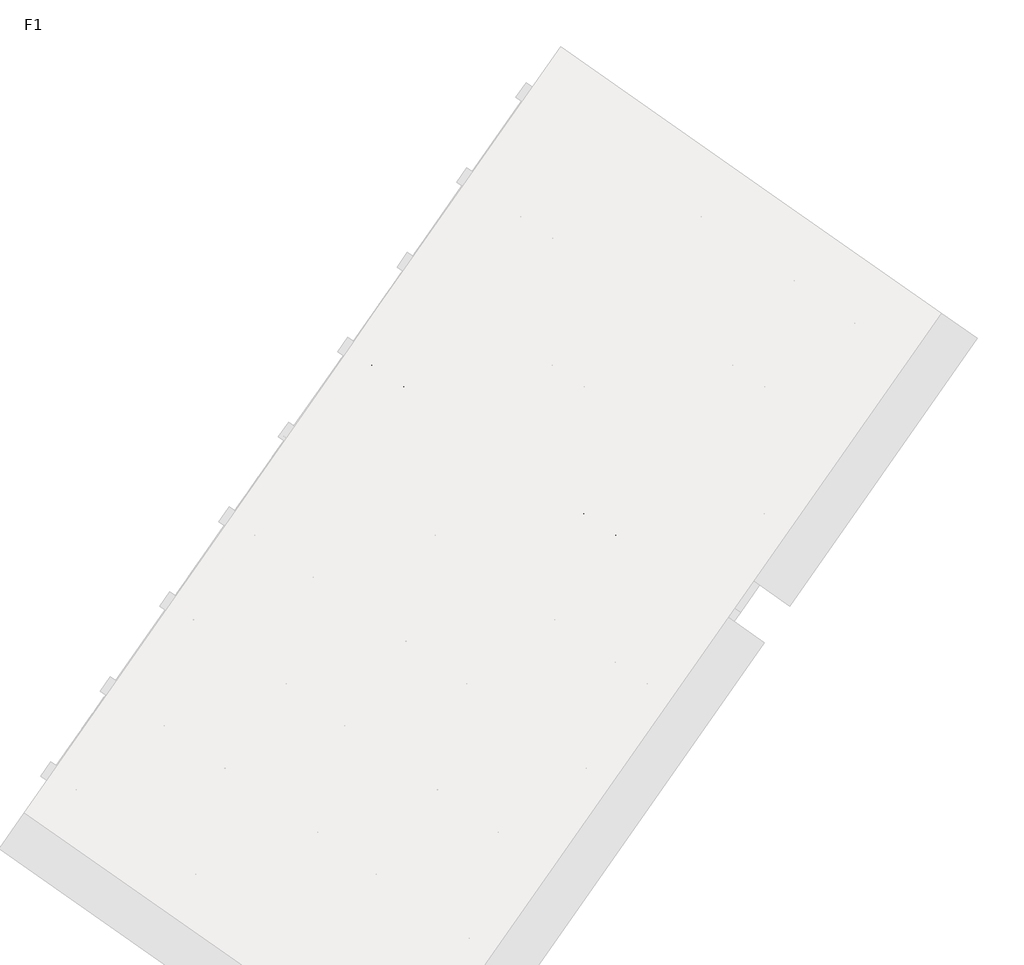
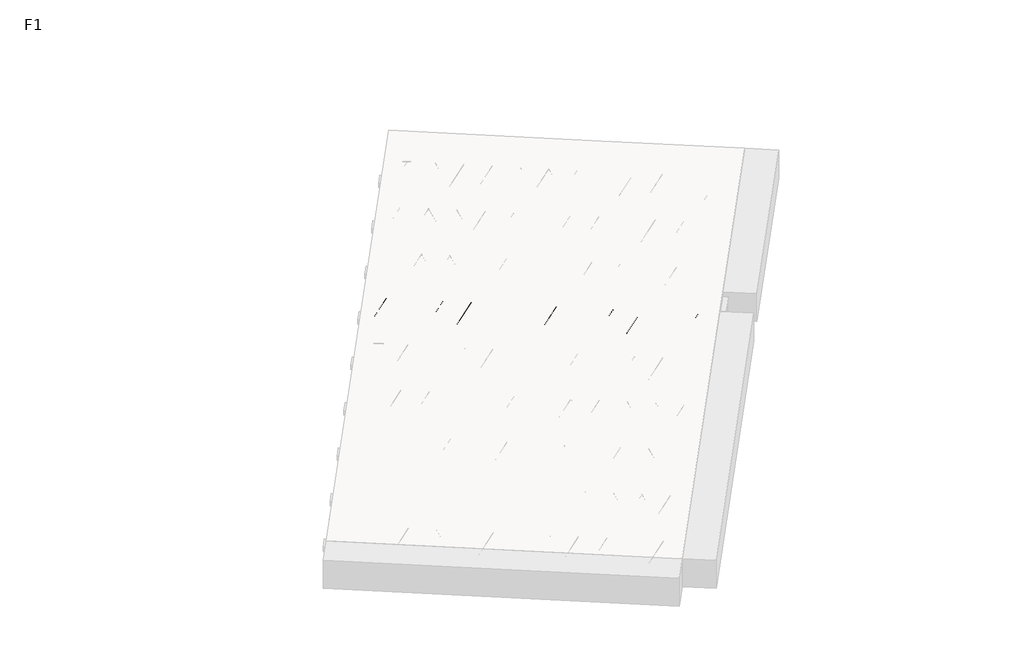
# One storey, part 11 of 30: 1 beam.
"""IFC4 building model written with IfcOpenShell, lengths in millimetres."""

from ifc_helpers import new_model, si_unit, point, frame, origin, origin_2d, place, context, project, spatial, circle_curve, trimmed, segment, composite_curve, outline, extrude, element, save

model = new_model("IFC4")

# Units and contexts
model_context = context("Model", 3, world=origin())
ifc_project = project(units=[si_unit("LENGTHUNIT", "METRE", prefix="MILLI")], contexts=[model_context])

# Site, building, storey
site = spatial("IfcSite", under=ifc_project)
building = spatial("IfcBuilding", under=site)
storey = spatial("IfcBuildingStorey", under=building, Name="F1", Elevation=99520.0)

# Beam
placement = place(None, origin())
element("IfcBeam", 1, at=placement, inside=storey, context=model_context, shape_type="SweptSolid", body=[
    extrude(outline(composite_curve([segment(trimmed(circle_curve(origin_2d(), 2.5), [point((-2.5, 0.0))], [point((2.5, 0.0))], False, "CARTESIAN"), True, "CONTINUOUS"), segment(trimmed(circle_curve(origin_2d(), 2.5), [point((2.5, 0.0))], [point((-2.5, 0.0))], False, "CARTESIAN"), True, "CONTINUOUS")], self_intersect=False)), frame((9076.6809743, -2797.8787837, 99745.0), z_axis=(-0.8191520442696126, 0.5735764363787226, 0.0), x_axis=(0.5735764363787226, 0.8191520442696126, 0.0)), (0.0, 0.0, 1.0), 3192.0),
    extrude(outline(composite_curve([segment(trimmed(circle_curve(origin_2d(), 2.5), [point((-2.5, 0.0))], [point((2.5, 0.0))], False, "CARTESIAN"), True, "CONTINUOUS"), segment(trimmed(circle_curve(origin_2d(), 2.5), [point((2.5, 0.0))], [point((-2.5, 0.0))], False, "CARTESIAN"), True, "CONTINUOUS")], self_intersect=False)), frame((8957.2547264, -2670.3077395, 99970.0), z_axis=(-0.8191520442696126, 0.5735764363787226, 0.0), x_axis=(0.5735764363787226, 0.8191520442696126, 0.0)), (0.0, 0.0, 1.0), 2850.0),
    extrude(outline(composite_curve([segment(trimmed(circle_curve(origin_2d(), 2.5), [point((-2.5, 0.0))], [point((2.5, 0.0))], False, "CARTESIAN"), True, "CONTINUOUS"), segment(trimmed(circle_curve(origin_2d(), 2.5), [point((2.5, 0.0))], [point((-2.5, 0.0))], False, "CARTESIAN"), True, "CONTINUOUS")], self_intersect=False)), frame((8998.042378, -2742.8154458, 99745.0), z_axis=(-0.3145304735701046, 0.38933448886848654, 0.8657304643902053), x_axis=(0.7778747638402499, 0.6284193279813057, 0.0)), (0.0, 0.0, 1.0), 259.8961331),
    extrude(outline(composite_curve([segment(trimmed(circle_curve(origin_2d(), 2.5), [point((2.5, 0.0))], [point((-2.5, 0.0))], False, "CARTESIAN"), True, "CONTINUOUS"), segment(trimmed(circle_curve(origin_2d(), 2.5), [point((-2.5, 0.0))], [point((2.5, 0.0))], False, "CARTESIAN"), True, "CONTINUOUS")], self_intersect=False)), frame((8793.254367, -2599.4213367, 99745.0), z_axis=(0.47343050384693375, -0.16240172737369005, 0.8657304643902051), x_axis=(-0.3244721671091268, -0.9458952440791246, 0.0)), (0.0, 0.0, 1.0), 259.8961331),
    extrude(outline(composite_curve([segment(trimmed(circle_curve(origin_2d(), 2.5), [point((-2.5, 0.0))], [point((2.5, 0.0))], False, "CARTESIAN"), True, "CONTINUOUS"), segment(trimmed(circle_curve(origin_2d(), 2.5), [point((2.5, 0.0))], [point((-2.5, 0.0))], False, "CARTESIAN"), True, "CONTINUOUS")], self_intersect=False)), frame((8793.254367, -2599.4213367, 99745.0), z_axis=(-0.3145304735701046, 0.38933448886848654, 0.8657304643902053), x_axis=(0.7778747638402499, 0.6284193279813057, 0.0)), (0.0, 0.0, 1.0), 259.8961331),
    extrude(outline(composite_curve([segment(trimmed(circle_curve(origin_2d(), 2.5), [point((2.5, 0.0))], [point((-2.5, 0.0))], False, "CARTESIAN"), True, "CONTINUOUS"), segment(trimmed(circle_curve(origin_2d(), 2.5), [point((-2.5, 0.0))], [point((2.5, 0.0))], False, "CARTESIAN"), True, "CONTINUOUS")], self_intersect=False)), frame((8588.4663559, -2456.0272276, 99745.0), z_axis=(0.47343050384693375, -0.16240172737369005, 0.8657304643902051), x_axis=(-0.3244721671091268, -0.9458952440791246, 0.0)), (0.0, 0.0, 1.0), 259.8961331),
    extrude(outline(composite_curve([segment(trimmed(circle_curve(origin_2d(), 2.5), [point((-2.5, 0.0))], [point((2.5, 0.0))], False, "CARTESIAN"), True, "CONTINUOUS"), segment(trimmed(circle_curve(origin_2d(), 2.5), [point((2.5, 0.0))], [point((-2.5, 0.0))], False, "CARTESIAN"), True, "CONTINUOUS")], self_intersect=False)), frame((8588.4663559, -2456.0272276, 99745.0), z_axis=(-0.3145304735701046, 0.38933448886848654, 0.8657304643902053), x_axis=(0.7778747638402499, 0.6284193279813057, 0.0)), (0.0, 0.0, 1.0), 259.8961331),
    extrude(outline(composite_curve([segment(trimmed(circle_curve(origin_2d(), 2.5), [point((2.5, 0.0))], [point((-2.5, 1e-07))], False, "CARTESIAN"), True, "CONTINUOUS"), segment(trimmed(circle_curve(origin_2d(), 2.5), [point((-2.5, 1e-07))], [point((2.5, 0.0))], False, "CARTESIAN"), True, "CONTINUOUS")], self_intersect=False)), frame((8383.6783448, -2312.6331185, 99745.0), z_axis=(0.47343050384693375, -0.16240172737369005, 0.8657304643902051), x_axis=(-0.3244721671091268, -0.9458952440791246, 0.0)), (0.0, 0.0, 1.0), 259.8961331),
    extrude(outline(composite_curve([segment(trimmed(circle_curve(origin_2d(), 2.5), [point((-2.5, 0.0))], [point((2.5, 0.0))], False, "CARTESIAN"), True, "CONTINUOUS"), segment(trimmed(circle_curve(origin_2d(), 2.5), [point((2.5, 0.0))], [point((-2.5, 0.0))], False, "CARTESIAN"), True, "CONTINUOUS")], self_intersect=False)), frame((8383.6783448, -2312.6331185, 99745.0), z_axis=(-0.3145304735701046, 0.38933448886848654, 0.8657304643902053), x_axis=(0.7778747638402499, 0.6284193279813057, 0.0)), (0.0, 0.0, 1.0), 259.8961331),
    extrude(outline(composite_curve([segment(trimmed(circle_curve(origin_2d(), 2.5), [point((2.5, 0.0))], [point((-2.5, 0.0))], False, "CARTESIAN"), True, "CONTINUOUS"), segment(trimmed(circle_curve(origin_2d(), 2.5), [point((-2.5, 0.0))], [point((2.5, 0.0))], False, "CARTESIAN"), True, "CONTINUOUS")], self_intersect=False)), frame((8178.8903338, -2169.2390094, 99745.0), z_axis=(0.47343050384693375, -0.16240172737369005, 0.8657304643902051), x_axis=(-0.3244721671091268, -0.9458952440791246, 0.0)), (0.0, 0.0, 1.0), 259.8961331),
    extrude(outline(composite_curve([segment(trimmed(circle_curve(origin_2d(), 2.5), [point((-2.5, 0.0))], [point((2.5, 0.0))], False, "CARTESIAN"), True, "CONTINUOUS"), segment(trimmed(circle_curve(origin_2d(), 2.5), [point((2.5, 0.0))], [point((-2.5, 0.0))], False, "CARTESIAN"), True, "CONTINUOUS")], self_intersect=False)), frame((8178.8903338, -2169.2390094, 99745.0), z_axis=(-0.3145304735701046, 0.38933448886848654, 0.8657304643902053), x_axis=(0.7778747638402499, 0.6284193279813057, 0.0)), (0.0, 0.0, 1.0), 259.8961331),
    extrude(outline(composite_curve([segment(trimmed(circle_curve(origin_2d(), 2.5), [point((2.5, 0.0))], [point((-2.5, 0.0))], False, "CARTESIAN"), True, "CONTINUOUS"), segment(trimmed(circle_curve(origin_2d(), 2.5), [point((-2.5, 0.0))], [point((2.5, 0.0))], False, "CARTESIAN"), True, "CONTINUOUS")], self_intersect=False)), frame((7974.1023227, -2025.8449003, 99745.0), z_axis=(0.47343050384693375, -0.16240172737369005, 0.8657304643902051), x_axis=(-0.3244721671091268, -0.9458952440791246, 0.0)), (0.0, 0.0, 1.0), 259.8961331),
    extrude(outline(composite_curve([segment(trimmed(circle_curve(origin_2d(), 2.5), [point((-2.5, 0.0))], [point((2.5, 0.0))], False, "CARTESIAN"), True, "CONTINUOUS"), segment(trimmed(circle_curve(origin_2d(), 2.5), [point((2.5, 0.0))], [point((-2.5, 0.0))], False, "CARTESIAN"), True, "CONTINUOUS")], self_intersect=False)), frame((7974.1023227, -2025.8449003, 99745.0), z_axis=(-0.3145304735701046, 0.38933448886848654, 0.8657304643902053), x_axis=(0.7778747638402499, 0.6284193279813057, 0.0)), (0.0, 0.0, 1.0), 259.8961331),
    extrude(outline(composite_curve([segment(trimmed(circle_curve(origin_2d(), 2.5), [point((2.5, 0.0))], [point((-2.5, 1e-07))], False, "CARTESIAN"), True, "CONTINUOUS"), segment(trimmed(circle_curve(origin_2d(), 2.5), [point((-2.5, 1e-07))], [point((2.5, 0.0))], False, "CARTESIAN"), True, "CONTINUOUS")], self_intersect=False)), frame((7769.3143116, -1882.4507912, 99745.0), z_axis=(0.47343050384693375, -0.16240172737369005, 0.8657304643902051), x_axis=(-0.3244721671091268, -0.9458952440791246, 0.0)), (0.0, 0.0, 1.0), 259.8961331),
    extrude(outline(composite_curve([segment(trimmed(circle_curve(origin_2d(), 2.5), [point((-2.5, 0.0))], [point((2.5, 0.0))], False, "CARTESIAN"), True, "CONTINUOUS"), segment(trimmed(circle_curve(origin_2d(), 2.5), [point((2.5, 0.0))], [point((-2.5, 0.0))], False, "CARTESIAN"), True, "CONTINUOUS")], self_intersect=False)), frame((7769.3143116, -1882.4507912, 99745.0), z_axis=(-0.3145304735701046, 0.38933448886848654, 0.8657304643902053), x_axis=(0.7778747638402499, 0.6284193279813057, 0.0)), (0.0, 0.0, 1.0), 259.8961331),
    extrude(outline(composite_curve([segment(trimmed(circle_curve(origin_2d(), 2.5), [point((2.5, -1e-07))], [point((-2.5, 0.0))], False, "CARTESIAN"), True, "CONTINUOUS"), segment(trimmed(circle_curve(origin_2d(), 2.5), [point((-2.5, 0.0))], [point((2.5, -1e-07))], False, "CARTESIAN"), True, "CONTINUOUS")], self_intersect=False)), frame((7564.5263006, -1739.0566821, 99745.0), z_axis=(0.47343050384693375, -0.16240172737369005, 0.8657304643902051), x_axis=(-0.3244721671091268, -0.9458952440791246, 0.0)), (0.0, 0.0, 1.0), 259.8961331),
    extrude(outline(composite_curve([segment(trimmed(circle_curve(origin_2d(), 2.5), [point((-2.5, -1e-07))], [point((2.5, 0.0))], False, "CARTESIAN"), True, "CONTINUOUS"), segment(trimmed(circle_curve(origin_2d(), 2.5), [point((2.5, 0.0))], [point((-2.5, -1e-07))], False, "CARTESIAN"), True, "CONTINUOUS")], self_intersect=False)), frame((7564.5263006, -1739.0566821, 99745.0), z_axis=(-0.3145304735701046, 0.38933448886848654, 0.8657304643902053), x_axis=(0.7778747638402499, 0.6284193279813057, 0.0)), (0.0, 0.0, 1.0), 259.8961331),
    extrude(outline(composite_curve([segment(trimmed(circle_curve(origin_2d(), 2.5), [point((2.5, 0.0))], [point((-2.5, 0.0))], False, "CARTESIAN"), True, "CONTINUOUS"), segment(trimmed(circle_curve(origin_2d(), 2.5), [point((-2.5, 0.0))], [point((2.5, 0.0))], False, "CARTESIAN"), True, "CONTINUOUS")], self_intersect=False)), frame((7359.7382895, -1595.662573, 99745.0), z_axis=(0.47343050384693375, -0.16240172737369005, 0.8657304643902051), x_axis=(-0.3244721671091268, -0.9458952440791246, 0.0)), (0.0, 0.0, 1.0), 259.8961331),
    extrude(outline(composite_curve([segment(trimmed(circle_curve(origin_2d(), 2.5), [point((-2.5, -1e-07))], [point((2.5, 0.0))], False, "CARTESIAN"), True, "CONTINUOUS"), segment(trimmed(circle_curve(origin_2d(), 2.5), [point((2.5, 0.0))], [point((-2.5, -1e-07))], False, "CARTESIAN"), True, "CONTINUOUS")], self_intersect=False)), frame((7359.7382895, -1595.662573, 99745.0), z_axis=(-0.3145304735701046, 0.38933448886848654, 0.8657304643902053), x_axis=(0.7778747638402499, 0.6284193279813057, 0.0)), (0.0, 0.0, 1.0), 259.8961331),
    extrude(outline(composite_curve([segment(trimmed(circle_curve(origin_2d(), 2.5), [point((2.5000001, 0.0))], [point((-2.5, 0.0))], False, "CARTESIAN"), True, "CONTINUOUS"), segment(trimmed(circle_curve(origin_2d(), 2.5), [point((-2.5, 0.0))], [point((2.5000001, 0.0))], False, "CARTESIAN"), True, "CONTINUOUS")], self_intersect=False)), frame((7154.9502784, -1452.2684639, 99745.0), z_axis=(0.47343050384693375, -0.16240172737369005, 0.8657304643902051), x_axis=(-0.3244721671091268, -0.9458952440791246, 0.0)), (0.0, 0.0, 1.0), 259.8961331),
    extrude(outline(composite_curve([segment(trimmed(circle_curve(origin_2d(), 2.5), [point((-2.5, -1e-07))], [point((2.5, 0.0))], False, "CARTESIAN"), True, "CONTINUOUS"), segment(trimmed(circle_curve(origin_2d(), 2.5), [point((2.5, 0.0))], [point((-2.5, -1e-07))], False, "CARTESIAN"), True, "CONTINUOUS")], self_intersect=False)), frame((7154.9502784, -1452.2684639, 99745.0), z_axis=(-0.3145304735701046, 0.38933448886848654, 0.8657304643902053), x_axis=(0.7778747638402499, 0.6284193279813057, 0.0)), (0.0, 0.0, 1.0), 259.8961331),
    extrude(outline(composite_curve([segment(trimmed(circle_curve(origin_2d(), 2.5), [point((2.5000001, 0.0))], [point((-2.5, 0.0))], False, "CARTESIAN"), True, "CONTINUOUS"), segment(trimmed(circle_curve(origin_2d(), 2.5), [point((-2.5, 0.0))], [point((2.5000001, 0.0))], False, "CARTESIAN"), True, "CONTINUOUS")], self_intersect=False)), frame((6950.1622674, -1308.8743548, 99745.0), z_axis=(0.47343050384693375, -0.16240172737369005, 0.8657304643902051), x_axis=(-0.3244721671091268, -0.9458952440791246, 0.0)), (0.0, 0.0, 1.0), 259.8961331),
    extrude(outline(composite_curve([segment(trimmed(circle_curve(origin_2d(), 2.5), [point((-2.5, -1e-07))], [point((2.5, 0.0))], False, "CARTESIAN"), True, "CONTINUOUS"), segment(trimmed(circle_curve(origin_2d(), 2.5), [point((2.5, 0.0))], [point((-2.5, -1e-07))], False, "CARTESIAN"), True, "CONTINUOUS")], self_intersect=False)), frame((6950.1622674, -1308.8743548, 99745.0), z_axis=(-0.3145304735701046, 0.38933448886848654, 0.8657304643902053), x_axis=(0.7778747638402499, 0.6284193279813057, 0.0)), (0.0, 0.0, 1.0), 259.8961331),
    extrude(outline(composite_curve([segment(trimmed(circle_curve(origin_2d(), 2.5), [point((2.5, 0.0))], [point((-2.5000001, 0.0))], False, "CARTESIAN"), True, "CONTINUOUS"), segment(trimmed(circle_curve(origin_2d(), 2.5), [point((-2.5000001, 0.0))], [point((2.5, 0.0))], False, "CARTESIAN"), True, "CONTINUOUS")], self_intersect=False)), frame((6745.3742563, -1165.4802458, 99745.0), z_axis=(0.47343050384693375, -0.16240172737369005, 0.8657304643902051), x_axis=(-0.3244721671091268, -0.9458952440791246, 0.0)), (0.0, 0.0, 1.0), 259.8961331),
    extrude(outline(composite_curve([segment(trimmed(circle_curve(origin_2d(), 2.5), [point((-2.5, 0.0))], [point((2.5, 1e-07))], False, "CARTESIAN"), True, "CONTINUOUS"), segment(trimmed(circle_curve(origin_2d(), 2.5), [point((2.5, 1e-07))], [point((-2.5, 0.0))], False, "CARTESIAN"), True, "CONTINUOUS")], self_intersect=False)), frame((6745.3742563, -1165.4802458, 99745.0), z_axis=(-0.3145304735701046, 0.38933448886848654, 0.8657304643902053), x_axis=(0.7778747638402499, 0.6284193279813057, 0.0)), (0.0, 0.0, 1.0), 259.8961331),
    extrude(outline(composite_curve([segment(trimmed(circle_curve(origin_2d(), 2.5), [point((2.5, 0.0))], [point((-2.5000001, 0.0))], False, "CARTESIAN"), True, "CONTINUOUS"), segment(trimmed(circle_curve(origin_2d(), 2.5), [point((-2.5000001, 0.0))], [point((2.5, 0.0))], False, "CARTESIAN"), True, "CONTINUOUS")], self_intersect=False)), frame((6540.5862452, -1022.0861367, 99745.0), z_axis=(0.47343050384693375, -0.16240172737369005, 0.8657304643902051), x_axis=(-0.3244721671091268, -0.9458952440791246, 0.0)), (0.0, 0.0, 1.0), 259.8961331),
    extrude(outline(composite_curve([segment(trimmed(circle_curve(origin_2d(), 2.5), [point((-2.5, 0.0))], [point((2.5, 0.0))], False, "CARTESIAN"), True, "CONTINUOUS"), segment(trimmed(circle_curve(origin_2d(), 2.5), [point((2.5, 0.0))], [point((-2.5, 0.0))], False, "CARTESIAN"), True, "CONTINUOUS")], self_intersect=False)), frame((9117.9784777, -2738.8998365, 99745.0), z_axis=(-0.8191520442696126, 0.5735764363787226, 0.0), x_axis=(0.5735764363787226, 0.8191520442696126, 0.0)), (0.0, 0.0, 1.0), 3192.0),
    extrude(outline(composite_curve([segment(trimmed(circle_curve(origin_2d(), 2.5), [point((-2.5, 1e-07))], [point((2.5, 0.0))], False, "CARTESIAN"), True, "CONTINUOUS"), segment(trimmed(circle_curve(origin_2d(), 2.5), [point((2.5, 0.0))], [point((-2.5, 1e-07))], False, "CARTESIAN"), True, "CONTINUOUS")], self_intersect=False)), frame((9039.3398815, -2683.8364986, 99745.0), z_axis=(-0.47343050384693375, 0.16240172737369005, 0.8657304643902051), x_axis=(0.3244721671091268, 0.9458952440791246, 0.0)), (0.0, 0.0, 1.0), 259.8961331),
    extrude(outline(composite_curve([segment(trimmed(circle_curve(origin_2d(), 2.5), [point((2.5, 0.0))], [point((-2.5, 0.0))], False, "CARTESIAN"), True, "CONTINUOUS"), segment(trimmed(circle_curve(origin_2d(), 2.5), [point((-2.5, 0.0))], [point((2.5, 0.0))], False, "CARTESIAN"), True, "CONTINUOUS")], self_intersect=False)), frame((8834.5518704, -2540.4423895, 99745.0), z_axis=(0.3145304735701046, -0.38933448886848654, 0.8657304643902053), x_axis=(-0.7778747638402499, -0.6284193279813057, 0.0)), (0.0, 0.0, 1.0), 259.8961331),
    extrude(outline(composite_curve([segment(trimmed(circle_curve(origin_2d(), 2.5), [point((-2.5, 0.0))], [point((2.5, 0.0))], False, "CARTESIAN"), True, "CONTINUOUS"), segment(trimmed(circle_curve(origin_2d(), 2.5), [point((2.5, 0.0))], [point((-2.5, 0.0))], False, "CARTESIAN"), True, "CONTINUOUS")], self_intersect=False)), frame((8834.5518704, -2540.4423895, 99745.0), z_axis=(-0.47343050384693375, 0.16240172737369005, 0.8657304643902051), x_axis=(0.3244721671091268, 0.9458952440791246, 0.0)), (0.0, 0.0, 1.0), 259.8961331),
    extrude(outline(composite_curve([segment(trimmed(circle_curve(origin_2d(), 2.5), [point((2.5, 0.0))], [point((-2.5, 0.0))], False, "CARTESIAN"), True, "CONTINUOUS"), segment(trimmed(circle_curve(origin_2d(), 2.5), [point((-2.5, 0.0))], [point((2.5, 0.0))], False, "CARTESIAN"), True, "CONTINUOUS")], self_intersect=False)), frame((8629.7638593, -2397.0482804, 99745.0), z_axis=(0.3145304735701046, -0.38933448886848654, 0.8657304643902053), x_axis=(-0.7778747638402499, -0.6284193279813057, 0.0)), (0.0, 0.0, 1.0), 259.8961331),
    extrude(outline(composite_curve([segment(trimmed(circle_curve(origin_2d(), 2.5), [point((-2.5, 0.0))], [point((2.5, 0.0))], False, "CARTESIAN"), True, "CONTINUOUS"), segment(trimmed(circle_curve(origin_2d(), 2.5), [point((2.5, 0.0))], [point((-2.5, 0.0))], False, "CARTESIAN"), True, "CONTINUOUS")], self_intersect=False)), frame((8629.7638593, -2397.0482804, 99745.0), z_axis=(-0.47343050384693375, 0.16240172737369005, 0.8657304643902051), x_axis=(0.3244721671091268, 0.9458952440791246, 0.0)), (0.0, 0.0, 1.0), 259.8961331),
    extrude(outline(composite_curve([segment(trimmed(circle_curve(origin_2d(), 2.5), [point((2.5000001, -1e-07))], [point((-2.5, 0.0))], False, "CARTESIAN"), True, "CONTINUOUS"), segment(trimmed(circle_curve(origin_2d(), 2.5), [point((-2.5, 0.0))], [point((2.5000001, -1e-07))], False, "CARTESIAN"), True, "CONTINUOUS")], self_intersect=False)), frame((8424.9758483, -2253.6541713, 99745.0), z_axis=(0.3145304735701046, -0.38933448886848654, 0.8657304643902053), x_axis=(-0.7778747638402499, -0.6284193279813057, 0.0)), (0.0, 0.0, 1.0), 259.8961331),
    extrude(outline(composite_curve([segment(trimmed(circle_curve(origin_2d(), 2.5), [point((-2.5, 1e-07))], [point((2.5, 0.0))], False, "CARTESIAN"), True, "CONTINUOUS"), segment(trimmed(circle_curve(origin_2d(), 2.5), [point((2.5, 0.0))], [point((-2.5, 1e-07))], False, "CARTESIAN"), True, "CONTINUOUS")], self_intersect=False)), frame((8424.9758483, -2253.6541713, 99745.0), z_axis=(-0.47343050384693375, 0.16240172737369005, 0.8657304643902051), x_axis=(0.3244721671091268, 0.9458952440791246, 0.0)), (0.0, 0.0, 1.0), 259.8961331),
    extrude(outline(composite_curve([segment(trimmed(circle_curve(origin_2d(), 2.5), [point((2.5, 0.0))], [point((-2.5, 0.0))], False, "CARTESIAN"), True, "CONTINUOUS"), segment(trimmed(circle_curve(origin_2d(), 2.5), [point((-2.5, 0.0))], [point((2.5, 0.0))], False, "CARTESIAN"), True, "CONTINUOUS")], self_intersect=False)), frame((8220.1878372, -2110.2600622, 99745.0), z_axis=(0.3145304735701046, -0.38933448886848654, 0.8657304643902053), x_axis=(-0.7778747638402499, -0.6284193279813057, 0.0)), (0.0, 0.0, 1.0), 259.8961331),
    extrude(outline(composite_curve([segment(trimmed(circle_curve(origin_2d(), 2.5), [point((-2.5, 0.0))], [point((2.5, 0.0))], False, "CARTESIAN"), True, "CONTINUOUS"), segment(trimmed(circle_curve(origin_2d(), 2.5), [point((2.5, 0.0))], [point((-2.5, 0.0))], False, "CARTESIAN"), True, "CONTINUOUS")], self_intersect=False)), frame((8220.1878372, -2110.2600622, 99745.0), z_axis=(-0.47343050384693375, 0.16240172737369005, 0.8657304643902051), x_axis=(0.3244721671091268, 0.9458952440791246, 0.0)), (0.0, 0.0, 1.0), 259.8961331),
    extrude(outline(composite_curve([segment(trimmed(circle_curve(origin_2d(), 2.5), [point((2.5, 1e-07))], [point((-2.5, 0.0))], False, "CARTESIAN"), True, "CONTINUOUS"), segment(trimmed(circle_curve(origin_2d(), 2.5), [point((-2.5, 0.0))], [point((2.5, 1e-07))], False, "CARTESIAN"), True, "CONTINUOUS")], self_intersect=False)), frame((8015.3998261, -1966.8659531, 99745.0), z_axis=(0.3145304735701046, -0.38933448886848654, 0.8657304643902053), x_axis=(-0.7778747638402499, -0.6284193279813057, 0.0)), (0.0, 0.0, 1.0), 259.8961331),
    extrude(outline(composite_curve([segment(trimmed(circle_curve(origin_2d(), 2.5), [point((-2.5, 0.0))], [point((2.5, 0.0))], False, "CARTESIAN"), True, "CONTINUOUS"), segment(trimmed(circle_curve(origin_2d(), 2.5), [point((2.5, 0.0))], [point((-2.5, 0.0))], False, "CARTESIAN"), True, "CONTINUOUS")], self_intersect=False)), frame((8015.3998261, -1966.8659531, 99745.0), z_axis=(-0.47343050384693375, 0.16240172737369005, 0.8657304643902051), x_axis=(0.3244721671091268, 0.9458952440791246, 0.0)), (0.0, 0.0, 1.0), 259.8961331),
    extrude(outline(composite_curve([segment(trimmed(circle_curve(origin_2d(), 2.5), [point((2.5000001, 0.0))], [point((-2.5, 0.0))], False, "CARTESIAN"), True, "CONTINUOUS"), segment(trimmed(circle_curve(origin_2d(), 2.5), [point((-2.5, 0.0))], [point((2.5000001, 0.0))], False, "CARTESIAN"), True, "CONTINUOUS")], self_intersect=False)), frame((7810.6118151, -1823.471844, 99745.0), z_axis=(0.3145304735701046, -0.38933448886848654, 0.8657304643902053), x_axis=(-0.7778747638402499, -0.6284193279813057, 0.0)), (0.0, 0.0, 1.0), 259.8961331),
    extrude(outline(composite_curve([segment(trimmed(circle_curve(origin_2d(), 2.5), [point((-2.5, 1e-07))], [point((2.5, 0.0))], False, "CARTESIAN"), True, "CONTINUOUS"), segment(trimmed(circle_curve(origin_2d(), 2.5), [point((2.5, 0.0))], [point((-2.5, 1e-07))], False, "CARTESIAN"), True, "CONTINUOUS")], self_intersect=False)), frame((7810.6118151, -1823.471844, 99745.0), z_axis=(-0.47343050384693375, 0.16240172737369005, 0.8657304643902051), x_axis=(0.3244721671091268, 0.9458952440791246, 0.0)), (0.0, 0.0, 1.0), 259.8961331),
    extrude(outline(composite_curve([segment(trimmed(circle_curve(origin_2d(), 2.5), [point((2.5, 1e-07))], [point((-2.5, 0.0))], False, "CARTESIAN"), True, "CONTINUOUS"), segment(trimmed(circle_curve(origin_2d(), 2.5), [point((-2.5, 0.0))], [point((2.5, 1e-07))], False, "CARTESIAN"), True, "CONTINUOUS")], self_intersect=False)), frame((7605.823804, -1680.0777349, 99745.0), z_axis=(0.3145304735701046, -0.38933448886848654, 0.8657304643902053), x_axis=(-0.7778747638402499, -0.6284193279813057, 0.0)), (0.0, 0.0, 1.0), 259.8961331),
    extrude(outline(composite_curve([segment(trimmed(circle_curve(origin_2d(), 2.5), [point((-2.5000001, 0.0))], [point((2.5, 0.0))], False, "CARTESIAN"), True, "CONTINUOUS"), segment(trimmed(circle_curve(origin_2d(), 2.5), [point((2.5, 0.0))], [point((-2.5000001, 0.0))], False, "CARTESIAN"), True, "CONTINUOUS")], self_intersect=False)), frame((7605.823804, -1680.0777349, 99745.0), z_axis=(-0.47343050384693375, 0.16240172737369005, 0.8657304643902051), x_axis=(0.3244721671091268, 0.9458952440791246, 0.0)), (0.0, 0.0, 1.0), 259.8961331),
    extrude(outline(composite_curve([segment(trimmed(circle_curve(origin_2d(), 2.5), [point((2.5, 0.0))], [point((-2.5, -1e-07))], False, "CARTESIAN"), True, "CONTINUOUS"), segment(trimmed(circle_curve(origin_2d(), 2.5), [point((-2.5, -1e-07))], [point((2.5, 0.0))], False, "CARTESIAN"), True, "CONTINUOUS")], self_intersect=False)), frame((7401.0357929, -1536.6836259, 99745.0), z_axis=(0.3145304735701046, -0.38933448886848654, 0.8657304643902053), x_axis=(-0.7778747638402499, -0.6284193279813057, 0.0)), (0.0, 0.0, 1.0), 259.8961331),
    extrude(outline(composite_curve([segment(trimmed(circle_curve(origin_2d(), 2.5), [point((-2.5000001, 0.0))], [point((2.5, 0.0))], False, "CARTESIAN"), True, "CONTINUOUS"), segment(trimmed(circle_curve(origin_2d(), 2.5), [point((2.5, 0.0))], [point((-2.5000001, 0.0))], False, "CARTESIAN"), True, "CONTINUOUS")], self_intersect=False)), frame((7401.0357929, -1536.6836258, 99745.0), z_axis=(-0.47343050384693375, 0.16240172737369005, 0.8657304643902051), x_axis=(0.3244721671091268, 0.9458952440791246, 0.0)), (0.0, 0.0, 1.0), 259.8961331),
    extrude(outline(composite_curve([segment(trimmed(circle_curve(origin_2d(), 2.5), [point((2.5000001, -1e-07))], [point((-2.5, -1e-07))], False, "CARTESIAN"), True, "CONTINUOUS"), segment(trimmed(circle_curve(origin_2d(), 2.5), [point((-2.5, -1e-07))], [point((2.5000001, -1e-07))], False, "CARTESIAN"), True, "CONTINUOUS")], self_intersect=False)), frame((7196.2477819, -1393.2895168, 99745.0), z_axis=(0.3145304735701046, -0.38933448886848654, 0.8657304643902053), x_axis=(-0.7778747638402499, -0.6284193279813057, 0.0)), (0.0, 0.0, 1.0), 259.8961331),
    extrude(outline(composite_curve([segment(trimmed(circle_curve(origin_2d(), 2.5), [point((-2.5, 0.0))], [point((2.5000001, 0.0))], False, "CARTESIAN"), True, "CONTINUOUS"), segment(trimmed(circle_curve(origin_2d(), 2.5), [point((2.5000001, 0.0))], [point((-2.5, 0.0))], False, "CARTESIAN"), True, "CONTINUOUS")], self_intersect=False)), frame((7196.2477818, -1393.2895168, 99745.0), z_axis=(-0.47343050384693375, 0.16240172737369005, 0.8657304643902051), x_axis=(0.3244721671091268, 0.9458952440791246, 0.0)), (0.0, 0.0, 1.0), 259.8961331),
    extrude(outline(composite_curve([segment(trimmed(circle_curve(origin_2d(), 2.5), [point((2.5, 0.0))], [point((-2.5, -1e-07))], False, "CARTESIAN"), True, "CONTINUOUS"), segment(trimmed(circle_curve(origin_2d(), 2.5), [point((-2.5, -1e-07))], [point((2.5, 0.0))], False, "CARTESIAN"), True, "CONTINUOUS")], self_intersect=False)), frame((6991.4597708, -1249.8954077, 99745.0), z_axis=(0.3145304735701046, -0.38933448886848654, 0.8657304643902053), x_axis=(-0.7778747638402499, -0.6284193279813057, 0.0)), (0.0, 0.0, 1.0), 259.8961331),
    extrude(outline(composite_curve([segment(trimmed(circle_curve(origin_2d(), 2.5), [point((-2.5, 0.0))], [point((2.5000001, 0.0))], False, "CARTESIAN"), True, "CONTINUOUS"), segment(trimmed(circle_curve(origin_2d(), 2.5), [point((2.5000001, 0.0))], [point((-2.5, 0.0))], False, "CARTESIAN"), True, "CONTINUOUS")], self_intersect=False)), frame((6991.4597708, -1249.8954077, 99745.0), z_axis=(-0.47343050384693375, 0.16240172737369005, 0.8657304643902051), x_axis=(0.3244721671091268, 0.9458952440791246, 0.0)), (0.0, 0.0, 1.0), 259.8961331),
    extrude(outline(composite_curve([segment(trimmed(circle_curve(origin_2d(), 2.5), [point((2.5, 0.0))], [point((-2.5, -1e-07))], False, "CARTESIAN"), True, "CONTINUOUS"), segment(trimmed(circle_curve(origin_2d(), 2.5), [point((-2.5, -1e-07))], [point((2.5, 0.0))], False, "CARTESIAN"), True, "CONTINUOUS")], self_intersect=False)), frame((6786.6717597, -1106.5012986, 99745.0), z_axis=(0.3145304735701046, -0.38933448886848654, 0.8657304643902053), x_axis=(-0.7778747638402499, -0.6284193279813057, 0.0)), (0.0, 0.0, 1.0), 259.8961331),
    extrude(outline(composite_curve([segment(trimmed(circle_curve(origin_2d(), 2.5), [point((-2.5, 0.0))], [point((2.5, 0.0))], False, "CARTESIAN"), True, "CONTINUOUS"), segment(trimmed(circle_curve(origin_2d(), 2.5), [point((2.5, 0.0))], [point((-2.5, 0.0))], False, "CARTESIAN"), True, "CONTINUOUS")], self_intersect=False)), frame((6786.6717597, -1106.5012986, 99745.0), z_axis=(-0.47343050384693375, 0.16240172737369005, 0.8657304643902051), x_axis=(0.3244721671091268, 0.9458952440791246, 0.0)), (0.0, 0.0, 1.0), 259.8961331),
    extrude(outline(composite_curve([segment(trimmed(circle_curve(origin_2d(), 2.5), [point((2.5, 0.0))], [point((-2.5000001, 1e-07))], False, "CARTESIAN"), True, "CONTINUOUS"), segment(trimmed(circle_curve(origin_2d(), 2.5), [point((-2.5000001, 1e-07))], [point((2.5, 0.0))], False, "CARTESIAN"), True, "CONTINUOUS")], self_intersect=False)), frame((6581.8837486, -963.1071895, 99745.0), z_axis=(0.3145304735701046, -0.38933448886848654, 0.8657304643902053), x_axis=(-0.7778747638402499, -0.6284193279813057, 0.0)), (0.0, 0.0, 1.0), 259.8961331),
])

save(model, "model.ifc")
